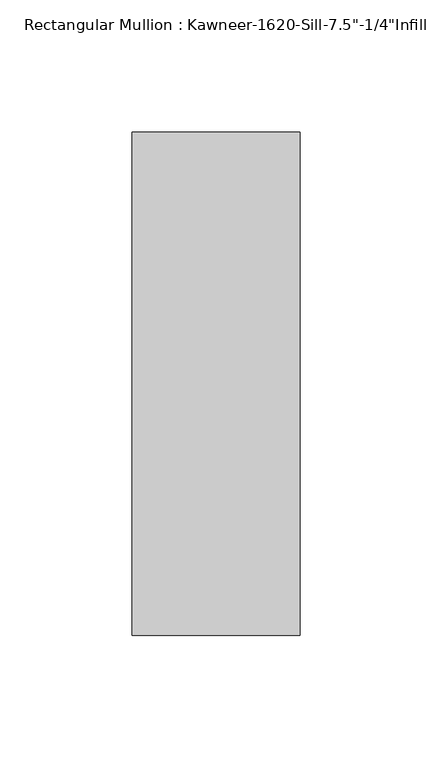
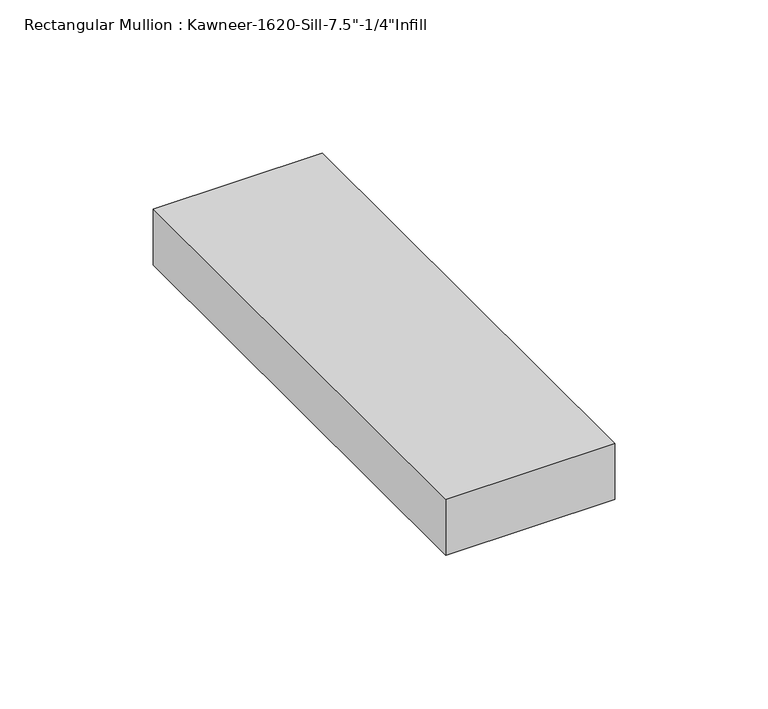
"""IFC4 building model written with IfcOpenShell, lengths in millimetres: member geometry."""

from ifc_helpers import new_model, si_unit, frame, origin, place, context, project, spatial, polyline, outline, extrude, source, transform, mapped, element, save


def member_27d51b8e(model_context):
    return source(origin(), model_context, "Body", "SweptSolid", [
        extrude(outline(polyline([(-63.5, 28.575), (0.0, 28.575), (0.0, -161.925), (-63.5, -161.925), (-63.5, 28.575)])), frame((0.0, 0.0, -22.225), z_axis=(0.0, 0.0, 1.0), x_axis=(1.0, 0.0, 0.0)), (0.0, 0.0, 1.0), 22.225),
    ])


if __name__ == "__main__":
    model = new_model("IFC4")
    model_context = context("Model", 3, world=origin())
    ifc_project = project(units=[si_unit("LENGTHUNIT", "METRE", prefix="MILLI")], contexts=[model_context])
    site = spatial("IfcSite", under=ifc_project)
    building = spatial("IfcBuilding", under=site)
    placement = place(None, origin())
    member_shape = member_27d51b8e(model_context)
    element("IfcMember", 1, ObjectType="Rectangular Mullion : Kawneer-1620-Sill-7.5\"-1/4\"Infill", at=placement, inside=building, context=model_context, shape_type="MappedRepresentation", body=[
        mapped(member_shape, transform((0.0, 0.0, 0.0), x_axis=(1.0, 0.0, 0.0), y_axis=(0.0, 1.0, 0.0), z_axis=(0.0, 0.0, 1.0))),
    ])
    save(model, "model.ifc")
